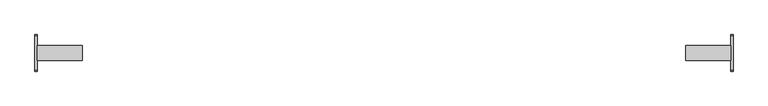
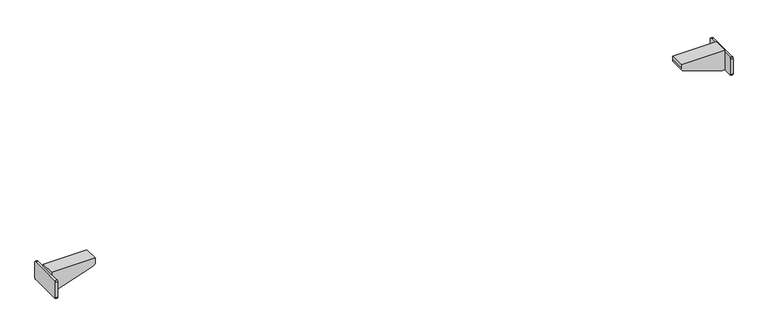
"""IFC4 building model written with IfcOpenShell, lengths in millimetres: furniture geometry."""

from ifc_helpers import new_model, si_unit, point, frame, frame_2d, origin, place, context, project, spatial, polyline, circle_curve, trimmed, segment, composite_curve, outline, extrude, source, transform, mapped, element, save
from ifc_brep_helpers import plane_surface, cylinder_surface, advanced_brep


def furniture_ddfba05a(model_context):
    return source(origin(), model_context, "Body", "SolidModel", [
        extrude(outline(composite_curve([segment(polyline([(-39.4809876, 524.76), (39.5, 524.76)]), True, "CONTINUOUS"), segment(trimmed(circle_curve(frame_2d((39.5, 521.76)), 3.0), [point((39.5, 524.76))], [point((42.5, 521.76))], False, "CARTESIAN"), True, "CONTINUOUS"), segment(polyline([(42.5, 521.76), (42.5, 483.0324612)]), True, "CONTINUOUS"), segment(trimmed(circle_curve(frame_2d((39.4675388, 483.0324612)), 3.0324612), [point((42.5, 483.0324612))], [point((39.4675388, 480.0))], False, "CARTESIAN"), True, "CONTINUOUS"), segment(polyline([(39.4675388, 480.0), (-39.5133375, 480.0)]), True, "CONTINUOUS"), segment(trimmed(circle_curve(frame_2d((-39.5133375, 482.9866625)), 2.9866625), [point((-39.5133375, 480.0))], [point((-42.5, 482.9866625))], False, "CARTESIAN"), True, "CONTINUOUS"), segment(polyline([(-42.5, 482.9866625), (-42.5, 521.7409876)]), True, "CONTINUOUS"), segment(trimmed(circle_curve(frame_2d((-39.4809876, 521.7409876)), 3.0190124), [point((-42.5, 521.7409876))], [point((-39.4809876, 524.76))], False, "CARTESIAN"), True, "CONTINUOUS")], self_intersect=False)), frame((804.7599968, 0.0, 0.0), z_axis=(1.0, 0.0, 0.0), x_axis=(0.0, 1.0, 0.0)), (0.0, 0.0, 1.0), 5.24),
        extrude(outline(composite_curve([segment(polyline([(511.6677828, 706.7222698), (480.0, 797.9999968), (480.0, 804.7599968), (530.0, 804.7599968), (530.0, 699.9999968), (521.115349, 699.9999968)]), True, "CONTINUOUS"), segment(trimmed(circle_curve(frame_2d((521.115349, 709.9999968)), 10.0), [point((521.115349, 699.9999968))], [point((511.6677828, 706.7222698))], False, "CARTESIAN"), True, "CONTINUOUS")], self_intersect=False)), frame((0.0, -17.5, 0.0), z_axis=(0.0, 1.0, 0.0), x_axis=(0.0, 0.0, 1.0)), (0.0, 0.0, 1.0), 35.0),
        advanced_brep(
        [(-706.7222698, 17.5, 511.6677828), (-797.9999968, 17.5, 480.0), (-804.7599968, 17.5, 480.0), (-804.7599968, 17.5, 524.76), (-804.7599968, 17.5, 530.0), (-699.9999968, 17.5, 530.0), (-699.9999968, 17.5, 521.115349), (-706.7222698, -17.5, 511.6677828), (-699.9999968, -17.5, 521.115349), (-699.9999968, -17.5, 530.0), (-804.7599968, -17.5, 530.0), (-804.7599968, -17.5, 524.76), (-804.7599968, -17.5, 480.0), (-797.9999968, -17.5, 480.0), (-804.7599968, -39.5133375, 480.0), (-809.9999968, -39.5133375, 480.0), (-809.9999968, 39.4675388, 480.0), (-804.7599968, 39.4675388, 480.0), (-804.7599968, -39.4809876, 524.76), (-804.7599968, -42.5, 521.7409876), (-804.7599968, -42.5, 482.9866625), (-804.7599968, 39.5, 524.76), (-804.7599968, 42.5, 483.0324612), (-804.7599968, 42.5, 521.76), (-809.9999968, -39.4809876, 524.76), (-809.9999968, 39.5, 524.76), (-809.9999968, 42.5, 521.76), (-809.9999968, 42.5, 483.0324612), (-809.9999968, -42.5, 482.9866625), (-809.9999968, -42.5, 521.7409876)],
        [
            (0, 1),
            (1, 2),
            (2, 3),
            (3, 4),
            (4, 5),
            (5, 6),
            (6, 0, circle_curve(frame((-709.9999968, 17.5, 521.115349), z_axis=(0.0, 1.0, 0.0), x_axis=(1.0, 0.0, 0.0)), 10.0)),
            (7, 8, circle_curve(frame((-709.9999968, -17.5, 521.115349), z_axis=(0.0, -1.0, 0.0), x_axis=(1.0, 0.0, 0.0)), 10.0)),
            (8, 9),
            (9, 10),
            (10, 11),
            (11, 12),
            (12, 13),
            (13, 7),
            (6, 8),
            (7, 0),
            (5, 9),
            (4, 10),
            (3, 11),
            (1, 13),
            (12, 14),
            (14, 15),
            (15, 16),
            (16, 17),
            (17, 2),
            (11, 18),
            (18, 19, circle_curve(frame((-804.7599968, -39.4809876, 521.7409876), z_axis=(1.0, 0.0, 0.0), x_axis=(0.0, -1.0, 0.0)), 3.0190124)),
            (19, 20),
            (20, 14, circle_curve(frame((-804.7599968, -39.5133375, 482.9866625), z_axis=(1.0, 0.0, 0.0), x_axis=(0.0, -1.0, 0.0)), 2.9866625)),
            (21, 3),
            (17, 22, circle_curve(frame((-804.7599968, 39.4675388, 483.0324612), z_axis=(1.0, 0.0, 0.0), x_axis=(0.0, -1.0, 0.0)), 3.0324612)),
            (22, 23),
            (23, 21, circle_curve(frame((-804.7599968, 39.5, 521.76), z_axis=(1.0, 0.0, 0.0), x_axis=(0.0, -1.0, 0.0)), 3.0)),
            (24, 25),
            (25, 26, circle_curve(frame((-809.9999968, 39.5, 521.76), z_axis=(-1.0, 0.0, 0.0), x_axis=(0.0, -1.0, 0.0)), 3.0)),
            (26, 27),
            (27, 16, circle_curve(frame((-809.9999968, 39.4675388, 483.0324612), z_axis=(-1.0, 0.0, 0.0), x_axis=(0.0, -1.0, 0.0)), 3.0324612)),
            (15, 28, circle_curve(frame((-809.9999968, -39.5133375, 482.9866625), z_axis=(-1.0, 0.0, 0.0), x_axis=(0.0, -1.0, 0.0)), 2.9866625)),
            (28, 29),
            (29, 24, circle_curve(frame((-809.9999968, -39.4809876, 521.7409876), z_axis=(-1.0, 0.0, 0.0), x_axis=(0.0, -1.0, 0.0)), 3.0190124)),
            (24, 18),
            (21, 25),
            (23, 26),
            (22, 27),
            (20, 28),
            (19, 29),
        ],
        [
            plane_surface(frame((-699.9999968, 17.5, 521.115349), z_axis=(0.0, 1.0, 0.0), x_axis=(0.0, 0.0, 1.0))),
            plane_surface(frame((-699.9999968, -17.5, 521.115349), z_axis=(0.0, -1.0, 0.0), x_axis=(0.0, 0.0, -1.0))),
            cylinder_surface(frame((-709.9999968, -17.5, 521.115349), z_axis=(0.0, 1.0, 0.0), x_axis=(1.0, 0.0, 0.0)), 10.0),
            plane_surface(frame((-699.9999968, 17.5, 521.115349), z_axis=(1.0, 0.0, 0.0), x_axis=(0.0, -1.0, 0.0))),
            plane_surface(frame((-699.9999968, 17.5, 530.0), z_axis=(0.0, 0.0, 1.0), x_axis=(0.0, -1.0, 0.0))),
            plane_surface(frame((-804.7599968, 17.5, 530.0), z_axis=(-1.0, 0.0, 0.0), x_axis=(0.0, -1.0, 0.0))),
            plane_surface(frame((-804.7599968, 17.5, 480.0), z_axis=(0.0, 0.0, -1.0), x_axis=(0.0, -1.0, 0.0))),
            plane_surface(frame((-797.9999968, 17.5, 480.0), z_axis=(0.32777270209389736, 0.0, -0.9447566119176226), x_axis=(0.0, -1.0, 0.0))),
            plane_surface(frame((-804.7599968, 39.5, 524.76), z_axis=(1.0, 0.0, 0.0), x_axis=(0.0, 1.0, 0.0))),
            plane_surface(frame((-809.9999968, 39.5, 524.76), z_axis=(-1.0, 0.0, 0.0), x_axis=(0.0, -1.0, 0.0))),
            plane_surface(frame((-804.7599968, -39.4809876, 524.76), z_axis=(0.0, 0.0, 1.0), x_axis=(-1.0, 0.0, 0.0))),
            cylinder_surface(frame((-809.9999968, 39.5, 521.76), z_axis=(1.0, 0.0, 0.0), x_axis=(0.0, -1.0, 0.0)), 3.0),
            plane_surface(frame((-804.7599968, 42.5, 521.76), z_axis=(0.0, 1.0, 0.0), x_axis=(-1.0, 0.0, 0.0))),
            cylinder_surface(frame((-809.9999968, 39.4675388, 483.0324612), z_axis=(1.0, 0.0, 0.0), x_axis=(0.0, -1.0, 0.0)), 3.0324612),
            cylinder_surface(frame((-809.9999968, -39.5133375, 482.9866625), z_axis=(1.0, 0.0, 0.0), x_axis=(0.0, -1.0, 0.0)), 2.9866625),
            plane_surface(frame((-804.7599968, -42.5, 482.9866625), z_axis=(0.0, -1.0, 0.0), x_axis=(-1.0, 0.0, 0.0))),
            cylinder_surface(frame((-809.9999968, -39.4809876, 521.7409876), z_axis=(1.0, 0.0, 0.0), x_axis=(0.0, -1.0, 0.0)), 3.0190124),
        ],
        [
            (0, [[1, 2, 3, 4, 5, 6, 7]]),
            (1, [[8, 9, 10, 11, 12, 13, 14]]),
            (2, [[15, -8, 16, -7]]),
            (3, [[17, -9, -15, -6]]),
            (4, [[18, -10, -17, -5]]),
            (5, [[-4, 19, -11, -18]]),
            (6, [[20, -13, 21, 22, 23, 24, 25, -2]]),
            (7, [[-16, -14, -20, -1]]),
            (8, [[-21, -12, 26, 27, 28, 29]]),
            (8, [[30, -3, -25, 31, 32, 33]]),
            (9, [[34, 35, 36, 37, -23, 38, 39, 40]]),
            (10, [[41, -26, -19, -30, 42, -34]]),
            (11, [[43, -35, -42, -33]]),
            (12, [[44, -36, -43, -32]]),
            (13, [[-24, -37, -44, -31]]),
            (14, [[45, -38, -22, -29]]),
            (15, [[46, -39, -45, -28]]),
            (16, [[-41, -40, -46, -27]]),
        ],
    ),
    ])


if __name__ == "__main__":
    model = new_model("IFC4")
    model_context = context("Model", 3, world=origin())
    ifc_project = project(units=[si_unit("LENGTHUNIT", "METRE", prefix="MILLI")], contexts=[model_context])
    site = spatial("IfcSite", under=ifc_project)
    building = spatial("IfcBuilding", under=site)
    placement = place(None, origin())
    furniture_shape = furniture_ddfba05a(model_context)
    element("IfcFurniture", 1, at=placement, inside=building, context=model_context, shape_type="MappedRepresentation", body=[
        mapped(furniture_shape, transform((0.0, 0.0, 0.0), x_axis=(1.0, 0.0, 0.0), y_axis=(0.0, 1.0, 0.0), z_axis=(0.0, 0.0, 1.0))),
    ])
    save(model, "model.ifc")
